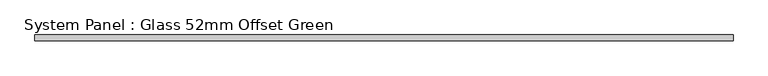
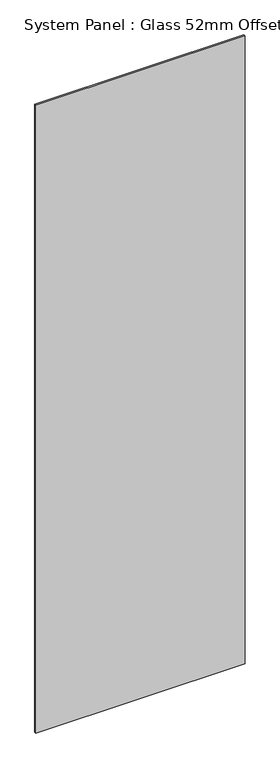
"""IFC4 building model written with IfcOpenShell, lengths in millimetres: plate geometry, System Panel : Glass 52mm Offset Green."""

import ifcopenshell
import ifcopenshell.guid

model = None  # the IFC model being written
_history = None  # IfcOwnerHistory: only IFC2X3 demands one
_inside = {}  # id of a spatial element -> (the spatial element, [elements in it])
_under = {}  # id of a project, library or spatial element -> (it, [spatial elements below it])
_declared = {}  # id of a project -> (the project, [libraries it declares])
_typed = {}  # id of a type object -> (the type object, [elements of that type])
_made_of = {}  # id of a material, layer set ... -> (it, [elements and type objects made of it])


def new_model(schema):
    """Start an empty IFC model of exactly this schema.

    Asked for "IFC4X3", IfcOpenShell would pick the latest addendum, in which some entities
    have other attributes; the version numbers below select the first issue.
    IFC2X3 requires an IfcOwnerHistory on every rooted entity: one is made here for all.
    """
    global model, _history
    if schema == "IFC4X3":
        model = ifcopenshell.file(schema_version=(4, 3, 0, 0))
    else:
        model = ifcopenshell.file(schema=schema)
    _inside.clear()
    _under.clear()
    _declared.clear()
    _typed.clear()
    _made_of.clear()
    _history = None
    if model.schema == "IFC2X3":
        org = make("IfcOrganization", Name="unknown")
        user = make(
            "IfcPersonAndOrganization",
            ThePerson=make("IfcPerson", FamilyName="unknown"),
            TheOrganization=org,
        )
        app = make(
            "IfcApplication",
            ApplicationDeveloper=org,
            Version="unknown",
            ApplicationFullName="unknown",
            ApplicationIdentifier="unknown",
        )
        _history = make(
            "IfcOwnerHistory",
            OwningUser=user,
            OwningApplication=app,
            ChangeAction="ADDED",
            CreationDate=0,
        )
    return model


def make(cls, **values):
    """One entity of the class cls with the attributes given. An attribute that is None is left unset."""
    return model.create_entity(
        cls, **{name: value for name, value in values.items() if value is not None}
    )


def rooted(cls, **values):
    """An entity with a GlobalId (a new one), such as an element, a storey or a relation."""
    return make(cls, GlobalId=ifcopenshell.guid.new(), OwnerHistory=_history, **values)


def si_unit(unit_type, name, prefix=None):
    """IfcSIUnit, for example si_unit("LENGTHUNIT", "METRE", prefix="MILLI")."""
    return make("IfcSIUnit", UnitType=unit_type, Prefix=prefix, Name=name)


def assignment(units):
    """IfcUnitAssignment: the units of a project."""
    return None if units is None else make("IfcUnitAssignment", Units=units)


def point(xyz):
    """IfcCartesianPoint."""
    return None if xyz is None else make("IfcCartesianPoint", Coordinates=xyz)


def direction(xyz):
    """IfcDirection."""
    return None if xyz is None else make("IfcDirection", DirectionRatios=xyz)


def frame(location, z_axis=None, x_axis=None):
    """IfcAxis2Placement3D, a coordinate frame: its origin and axes. An axis left out is left unset."""
    return make(
        "IfcAxis2Placement3D",
        Location=point(location),
        Axis=direction(z_axis),
        RefDirection=direction(x_axis),
    )


def origin():
    """The frame at (0, 0, 0) with its axes left unset."""
    return frame((0.0, 0.0, 0.0))


def origin_with_axes():
    """The frame at (0, 0, 0) with the z axis (0, 0, 1) and the x axis (1, 0, 0) written out."""
    return frame((0.0, 0.0, 0.0), z_axis=(0.0, 0.0, 1.0), x_axis=(1.0, 0.0, 0.0))


def place(relative_to, where):
    """IfcLocalPlacement: puts the frame where relative to a parent placement (None: the world)."""
    return make(
        "IfcLocalPlacement", PlacementRelTo=relative_to, RelativePlacement=where
    )


def context(
    kind, dimensions, precision=None, world=None, true_north=None, identifier=None
):
    """IfcGeometricRepresentationContext, for example the 3D "Model" context."""
    return make(
        "IfcGeometricRepresentationContext",
        ContextIdentifier=identifier,
        ContextType=kind,
        CoordinateSpaceDimension=dimensions,
        Precision=precision,
        WorldCoordinateSystem=world,
        TrueNorth=true_north,
    )


def project(units=None, contexts=None):
    """IfcProject with its units and contexts."""
    return rooted(
        "IfcProject",
        Name="project",
        RepresentationContexts=contexts,
        UnitsInContext=assignment(units),
    )


def spatial(cls, under=None, at=None, **own):
    """A site, building, storey or space (cls), placed at a placement, below another one or the project."""
    s = rooted(cls, ObjectPlacement=at, **own)
    if under is not None:
        _under.setdefault(under.id(), (under, []))[1].append(s)
    return s


def polyline(points):
    """IfcPolyline through the points."""
    return make("IfcPolyline", Points=[point(p) for p in points])


def outline(outer, holes=None, kind="AREA"):
    """IfcArbitraryClosedProfileDef: a profile drawn as a closed curve; with holes, ...WithVoids."""
    if holes is None:
        return make("IfcArbitraryClosedProfileDef", ProfileType=kind, OuterCurve=outer)
    return make(
        "IfcArbitraryProfileDefWithVoids",
        ProfileType=kind,
        OuterCurve=outer,
        InnerCurves=holes,
    )


def extrude(swept, where, along, depth):
    """IfcExtrudedAreaSolid: the profile swept, set in the frame where, extruded along a direction by depth."""
    return make(
        "IfcExtrudedAreaSolid",
        SweptArea=swept,
        Position=where,
        ExtrudedDirection=direction(along),
        Depth=depth,
    )


def shape(context_of_items, identifier, shape_type, items):
    """IfcShapeRepresentation: the items that make up one representation, for example the "Body"."""
    return make(
        "IfcShapeRepresentation",
        ContextOfItems=context_of_items,
        RepresentationIdentifier=identifier,
        RepresentationType=shape_type,
        Items=items,
    )


def source(mapping_origin, context_of_items, identifier, shape_type, items):
    """IfcRepresentationMap: a shape defined once, which mapped items show again and again."""
    return make(
        "IfcRepresentationMap",
        MappingOrigin=mapping_origin,
        MappedRepresentation=shape(context_of_items, identifier, shape_type, items),
    )


def transform(
    local_origin,
    x_axis=None,
    y_axis=None,
    z_axis=None,
    scale=None,
    scale2=None,
    scale3=None,
    uniform=True,
):
    """IfcCartesianTransformationOperator3D, or its non-uniform kind. x_axis, y_axis, z_axis: its Axis1, 2, 3."""
    if uniform:
        return make(
            "IfcCartesianTransformationOperator3D",
            Axis1=direction(x_axis),
            Axis2=direction(y_axis),
            LocalOrigin=point(local_origin),
            Scale=scale,
            Axis3=direction(z_axis),
        )
    return make(
        "IfcCartesianTransformationOperator3DnonUniform",
        Axis1=direction(x_axis),
        Axis2=direction(y_axis),
        LocalOrigin=point(local_origin),
        Scale=scale,
        Axis3=direction(z_axis),
        Scale2=scale2,
        Scale3=scale3,
    )


def mapped(mapping_source, mapping_target):
    """IfcMappedItem: shows the shape of a source again, moved by a transform."""
    return make(
        "IfcMappedItem", MappingSource=mapping_source, MappingTarget=mapping_target
    )


def made_of(thing, what):
    """Note that an element or type object is made of a material, layer set ...; save() writes the relation."""
    if what is not None:
        _made_of.setdefault(what.id(), (what, []))[1].append(thing)
    return thing


def element(
    cls,
    number,
    at=None,
    inside=None,
    cuts=None,
    type_object=None,
    material=None,
    context=None,
    identifier="Body",
    shape_type=None,
    held_by="IfcProductDefinitionShape",
    body=None,
    shapes=None,
    **own,
):
    """One element of the class cls, such as IfcWall. Its Tag is "e" and its number.

    at: its placement. inside: the storey or other place that contains it. cuts: it is an
    opening in that element (IfcRelVoidsElement). A single representation is given by context,
    identifier, shape_type and body (its items); several are given by shapes. held_by: the class
    of the entity that holds the representations. save() writes the other relations.
    """
    e = rooted(cls, Tag="e%d" % number, ObjectPlacement=at, **own)
    if body is not None:
        shapes = [shape(context, identifier, shape_type, body)]
    if shapes is not None:
        e.Representation = make(held_by, Representations=shapes)
    if inside is not None:
        _inside.setdefault(inside.id(), (inside, []))[1].append(e)
    if cuts is not None:
        rooted(
            "IfcRelVoidsElement", RelatingBuildingElement=cuts, RelatedOpeningElement=e
        )
    if type_object is not None:
        _typed.setdefault(type_object.id(), (type_object, []))[1].append(e)
    return made_of(e, material)


def aggregate(whole, parts):
    """IfcRelAggregates: a whole, such as a stair, and the parts it consists of."""
    return rooted("IfcRelAggregates", RelatingObject=whole, RelatedObjects=parts)


def save(model, path):
    """Write the relations noted so far, then the file.

    IfcRelAggregates (storeys below a building ...), IfcRelContainedInSpatialStructure (elements
    in a storey), IfcRelDefinesByType, IfcRelAssociatesMaterial and IfcRelDeclares: one each for
    every whole, place, type object, material and project.
    """
    for whole, parts in _under.values():
        aggregate(whole, parts)
    for where, things in _inside.values():
        rooted(
            "IfcRelContainedInSpatialStructure",
            RelatedElements=things,
            RelatingStructure=where,
        )
    for kind, things in _typed.values():
        rooted("IfcRelDefinesByType", RelatedObjects=things, RelatingType=kind)
    for what, things in _made_of.values():
        rooted("IfcRelAssociatesMaterial", RelatedObjects=things, RelatingMaterial=what)
    for by, libraries in _declared.values():
        rooted("IfcRelDeclares", RelatingContext=by, RelatedDefinitions=libraries)
    model.write(path)


def system_panel_glass_52mm_offset_green_e82d9b80(model_context):
    return source(origin(), model_context, "Body", "SweptSolid", [
        extrude(outline(polyline([(610.0168198, -57.0), (-610.0168198, -57.0), (-610.0168198, -47.0), (610.0168198, -47.0), (610.0168198, -57.0)])), origin_with_axes(), (0.0, 0.0, 1.0), 3870.5),
    ])


if __name__ == "__main__":
    model = new_model("IFC4")
    model_context = context("Model", 3, world=origin())
    ifc_project = project(units=[si_unit("LENGTHUNIT", "METRE", prefix="MILLI")], contexts=[model_context])
    site = spatial("IfcSite", under=ifc_project)
    building = spatial("IfcBuilding", under=site)
    placement = place(None, origin())
    system_panel_glass_52mm_offset_green_shape = system_panel_glass_52mm_offset_green_e82d9b80(model_context)
    element("IfcPlate", 1, ObjectType="System Panel : Glass 52mm Offset Green", at=placement, inside=building, context=model_context, shape_type="MappedRepresentation", body=[
        mapped(system_panel_glass_52mm_offset_green_shape, transform((0.0, 0.0, 0.0), x_axis=(1.0, 0.0, 0.0), y_axis=(0.0, 1.0, 0.0), z_axis=(0.0, 0.0, 1.0))),
    ])
    save(model, "model.ifc")
